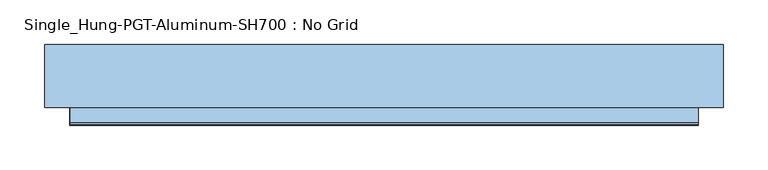
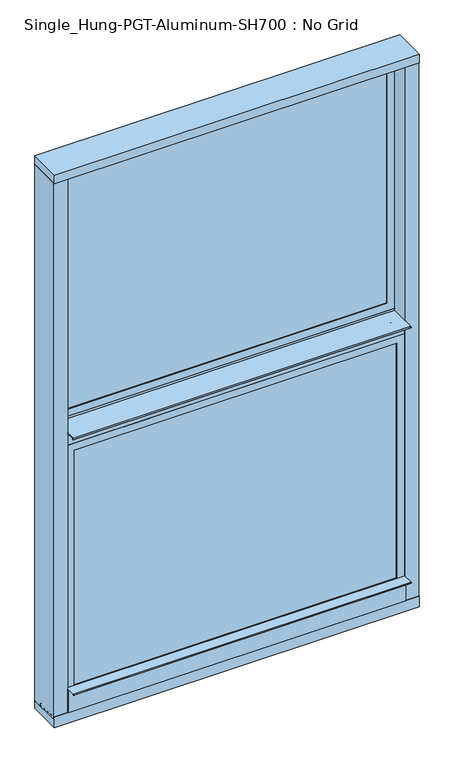
"""IFC4 building model written with IfcOpenShell, lengths in millimetres: window geometry, Single_Hung-PGT-Aluminum-SH700 : No Grid."""

import ifcopenshell
import ifcopenshell.guid

model = None  # the IFC model being written
_history = None  # IfcOwnerHistory: only IFC2X3 demands one
_inside = {}  # id of a spatial element -> (the spatial element, [elements in it])
_under = {}  # id of a project, library or spatial element -> (it, [spatial elements below it])
_declared = {}  # id of a project -> (the project, [libraries it declares])
_typed = {}  # id of a type object -> (the type object, [elements of that type])
_made_of = {}  # id of a material, layer set ... -> (it, [elements and type objects made of it])


def new_model(schema):
    """Start an empty IFC model of exactly this schema.

    Asked for "IFC4X3", IfcOpenShell would pick the latest addendum, in which some entities
    have other attributes; the version numbers below select the first issue.
    IFC2X3 requires an IfcOwnerHistory on every rooted entity: one is made here for all.
    """
    global model, _history
    if schema == "IFC4X3":
        model = ifcopenshell.file(schema_version=(4, 3, 0, 0))
    else:
        model = ifcopenshell.file(schema=schema)
    _inside.clear()
    _under.clear()
    _declared.clear()
    _typed.clear()
    _made_of.clear()
    _history = None
    if model.schema == "IFC2X3":
        org = make("IfcOrganization", Name="unknown")
        user = make(
            "IfcPersonAndOrganization",
            ThePerson=make("IfcPerson", FamilyName="unknown"),
            TheOrganization=org,
        )
        app = make(
            "IfcApplication",
            ApplicationDeveloper=org,
            Version="unknown",
            ApplicationFullName="unknown",
            ApplicationIdentifier="unknown",
        )
        _history = make(
            "IfcOwnerHistory",
            OwningUser=user,
            OwningApplication=app,
            ChangeAction="ADDED",
            CreationDate=0,
        )
    return model


def make(cls, **values):
    """One entity of the class cls with the attributes given. An attribute that is None is left unset."""
    return model.create_entity(
        cls, **{name: value for name, value in values.items() if value is not None}
    )


def rooted(cls, **values):
    """An entity with a GlobalId (a new one), such as an element, a storey or a relation."""
    return make(cls, GlobalId=ifcopenshell.guid.new(), OwnerHistory=_history, **values)


def si_unit(unit_type, name, prefix=None):
    """IfcSIUnit, for example si_unit("LENGTHUNIT", "METRE", prefix="MILLI")."""
    return make("IfcSIUnit", UnitType=unit_type, Prefix=prefix, Name=name)


def assignment(units):
    """IfcUnitAssignment: the units of a project."""
    return None if units is None else make("IfcUnitAssignment", Units=units)


def point(xyz):
    """IfcCartesianPoint."""
    return None if xyz is None else make("IfcCartesianPoint", Coordinates=xyz)


def direction(xyz):
    """IfcDirection."""
    return None if xyz is None else make("IfcDirection", DirectionRatios=xyz)


def frame(location, z_axis=None, x_axis=None):
    """IfcAxis2Placement3D, a coordinate frame: its origin and axes. An axis left out is left unset."""
    return make(
        "IfcAxis2Placement3D",
        Location=point(location),
        Axis=direction(z_axis),
        RefDirection=direction(x_axis),
    )


def frame_2d(location, x_axis=None):
    """IfcAxis2Placement2D, a coordinate frame in the plane: its origin and x axis."""
    return make(
        "IfcAxis2Placement2D", Location=point(location), RefDirection=direction(x_axis)
    )


def origin():
    """The frame at (0, 0, 0) with its axes left unset."""
    return frame((0.0, 0.0, 0.0))


def place(relative_to, where):
    """IfcLocalPlacement: puts the frame where relative to a parent placement (None: the world)."""
    return make(
        "IfcLocalPlacement", PlacementRelTo=relative_to, RelativePlacement=where
    )


def context(
    kind, dimensions, precision=None, world=None, true_north=None, identifier=None
):
    """IfcGeometricRepresentationContext, for example the 3D "Model" context."""
    return make(
        "IfcGeometricRepresentationContext",
        ContextIdentifier=identifier,
        ContextType=kind,
        CoordinateSpaceDimension=dimensions,
        Precision=precision,
        WorldCoordinateSystem=world,
        TrueNorth=true_north,
    )


def project(units=None, contexts=None):
    """IfcProject with its units and contexts."""
    return rooted(
        "IfcProject",
        Name="project",
        RepresentationContexts=contexts,
        UnitsInContext=assignment(units),
    )


def spatial(cls, under=None, at=None, **own):
    """A site, building, storey or space (cls), placed at a placement, below another one or the project."""
    s = rooted(cls, ObjectPlacement=at, **own)
    if under is not None:
        _under.setdefault(under.id(), (under, []))[1].append(s)
    return s


def polyline(points):
    """IfcPolyline through the points."""
    return make("IfcPolyline", Points=[point(p) for p in points])


def circle_curve(where, radius):
    """IfcCircle in the frame where."""
    return make("IfcCircle", Position=where, Radius=radius)


def trimmed(basis, trim1, trim2, sense, master):
    """IfcTrimmedCurve: the piece of a basis curve between two trims."""
    return make(
        "IfcTrimmedCurve",
        BasisCurve=basis,
        Trim1=trim1,
        Trim2=trim2,
        SenseAgreement=sense,
        MasterRepresentation=master,
    )


def segment(curve, same_sense, transition):
    """IfcCompositeCurveSegment."""
    return make(
        "IfcCompositeCurveSegment",
        Transition=transition,
        SameSense=same_sense,
        ParentCurve=curve,
    )


def composite_curve(segments, self_intersect=None):
    """IfcCompositeCurve: segments joined end to end."""
    return make("IfcCompositeCurve", Segments=segments, SelfIntersect=self_intersect)


def outline(outer, holes=None, kind="AREA"):
    """IfcArbitraryClosedProfileDef: a profile drawn as a closed curve; with holes, ...WithVoids."""
    if holes is None:
        return make("IfcArbitraryClosedProfileDef", ProfileType=kind, OuterCurve=outer)
    return make(
        "IfcArbitraryProfileDefWithVoids",
        ProfileType=kind,
        OuterCurve=outer,
        InnerCurves=holes,
    )


def extrude(swept, where, along, depth):
    """IfcExtrudedAreaSolid: the profile swept, set in the frame where, extruded along a direction by depth."""
    return make(
        "IfcExtrudedAreaSolid",
        SweptArea=swept,
        Position=where,
        ExtrudedDirection=direction(along),
        Depth=depth,
    )


def faces_of(points, faces, orient=None, outer=None):
    """IfcFace entities. A face is a list of loops; a loop is a list of indices into points, from 0.

    orient and outer hold one flag for each loop. By default every Orientation is true, the
    first loop of a face is its IfcFaceOuterBound and the others are IfcFaceBound.
    """
    made = []
    for i, loops in enumerate(faces):
        bounds = []
        for j, loop in enumerate(loops):
            is_outer = j == 0 if outer is None else outer[i][j]
            bounds.append(
                make(
                    "IfcFaceOuterBound" if is_outer else "IfcFaceBound",
                    Bound=make("IfcPolyLoop", Polygon=[points[k] for k in loop]),
                    Orientation=True if orient is None else orient[i][j],
                )
            )
        made.append(make("IfcFace", Bounds=bounds))
    return made


def faceted_brep(points, faces, orient=None, outer=None, voids=None):
    """IfcFacetedBrep: a solid bounded by flat faces; with voids (closed shells), ...WithVoids."""
    shared = [point(p) for p in points]
    hull = make("IfcClosedShell", CfsFaces=faces_of(shared, faces, orient, outer))
    if voids is None:
        return make("IfcFacetedBrep", Outer=hull)
    return make(
        "IfcFacetedBrepWithVoids",
        Outer=hull,
        Voids=[
            make(cls, CfsFaces=faces_of(shared, fs, o, b)) for cls, fs, o, b in voids
        ],
    )


def shape(context_of_items, identifier, shape_type, items):
    """IfcShapeRepresentation: the items that make up one representation, for example the "Body"."""
    return make(
        "IfcShapeRepresentation",
        ContextOfItems=context_of_items,
        RepresentationIdentifier=identifier,
        RepresentationType=shape_type,
        Items=items,
    )


def source(mapping_origin, context_of_items, identifier, shape_type, items):
    """IfcRepresentationMap: a shape defined once, which mapped items show again and again."""
    return make(
        "IfcRepresentationMap",
        MappingOrigin=mapping_origin,
        MappedRepresentation=shape(context_of_items, identifier, shape_type, items),
    )


def transform(
    local_origin,
    x_axis=None,
    y_axis=None,
    z_axis=None,
    scale=None,
    scale2=None,
    scale3=None,
    uniform=True,
):
    """IfcCartesianTransformationOperator3D, or its non-uniform kind. x_axis, y_axis, z_axis: its Axis1, 2, 3."""
    if uniform:
        return make(
            "IfcCartesianTransformationOperator3D",
            Axis1=direction(x_axis),
            Axis2=direction(y_axis),
            LocalOrigin=point(local_origin),
            Scale=scale,
            Axis3=direction(z_axis),
        )
    return make(
        "IfcCartesianTransformationOperator3DnonUniform",
        Axis1=direction(x_axis),
        Axis2=direction(y_axis),
        LocalOrigin=point(local_origin),
        Scale=scale,
        Axis3=direction(z_axis),
        Scale2=scale2,
        Scale3=scale3,
    )


def mapped(mapping_source, mapping_target):
    """IfcMappedItem: shows the shape of a source again, moved by a transform."""
    return make(
        "IfcMappedItem", MappingSource=mapping_source, MappingTarget=mapping_target
    )


def made_of(thing, what):
    """Note that an element or type object is made of a material, layer set ...; save() writes the relation."""
    if what is not None:
        _made_of.setdefault(what.id(), (what, []))[1].append(thing)
    return thing


def element(
    cls,
    number,
    at=None,
    inside=None,
    cuts=None,
    type_object=None,
    material=None,
    context=None,
    identifier="Body",
    shape_type=None,
    held_by="IfcProductDefinitionShape",
    body=None,
    shapes=None,
    **own,
):
    """One element of the class cls, such as IfcWall. Its Tag is "e" and its number.

    at: its placement. inside: the storey or other place that contains it. cuts: it is an
    opening in that element (IfcRelVoidsElement). A single representation is given by context,
    identifier, shape_type and body (its items); several are given by shapes. held_by: the class
    of the entity that holds the representations. save() writes the other relations.
    """
    e = rooted(cls, Tag="e%d" % number, ObjectPlacement=at, **own)
    if body is not None:
        shapes = [shape(context, identifier, shape_type, body)]
    if shapes is not None:
        e.Representation = make(held_by, Representations=shapes)
    if inside is not None:
        _inside.setdefault(inside.id(), (inside, []))[1].append(e)
    if cuts is not None:
        rooted(
            "IfcRelVoidsElement", RelatingBuildingElement=cuts, RelatedOpeningElement=e
        )
    if type_object is not None:
        _typed.setdefault(type_object.id(), (type_object, []))[1].append(e)
    return made_of(e, material)


def aggregate(whole, parts):
    """IfcRelAggregates: a whole, such as a stair, and the parts it consists of."""
    return rooted("IfcRelAggregates", RelatingObject=whole, RelatedObjects=parts)


def save(model, path):
    """Write the relations noted so far, then the file.

    IfcRelAggregates (storeys below a building ...), IfcRelContainedInSpatialStructure (elements
    in a storey), IfcRelDefinesByType, IfcRelAssociatesMaterial and IfcRelDeclares: one each for
    every whole, place, type object, material and project.
    """
    for whole, parts in _under.values():
        aggregate(whole, parts)
    for where, things in _inside.values():
        rooted(
            "IfcRelContainedInSpatialStructure",
            RelatedElements=things,
            RelatingStructure=where,
        )
    for kind, things in _typed.values():
        rooted("IfcRelDefinesByType", RelatedObjects=things, RelatingType=kind)
    for what, things in _made_of.values():
        rooted("IfcRelAssociatesMaterial", RelatedObjects=things, RelatingMaterial=what)
    for by, libraries in _declared.values():
        rooted("IfcRelDeclares", RelatingContext=by, RelatedDefinitions=libraries)
    model.write(path)


def single_hung_pgt_aluminum_sh700_no_grid_d683dfb1(model_context):
    return source(origin(), model_context, "Body", "SolidModel", [
        faceted_brep([(349.3516, 39.0903269, 1520.8758127), (349.3516, 49.2757269, 1520.8758127), (349.3516, 49.2757269, 976.9348127), (349.3516, 39.0903269, 976.9348127), (336.5754, 37.084, 1508.0996127), (336.5754, 39.0903269, 1508.0996127), (336.5754, 39.0903269, 989.7110127), (336.5754, 37.084, 989.7110127), (352.4504, 65.607932, 1523.9746127), (352.4504, 37.084, 1523.9746127), (352.4504, 37.084, 973.8360127), (352.4504, 65.607932, 973.8360127), (336.5754, 49.2757269, 1508.0996127), (336.5754, 65.607932, 1508.0996127), (336.5754, 65.607932, 989.7110127), (336.5754, 49.2757269, 989.7110127), (-349.3516, 49.2757269, 976.9348127), (-349.3516, 39.0903269, 976.9348127), (-336.5754, 39.0903269, 989.7110127), (-336.5754, 37.084, 989.7110127), (-352.4504, 37.084, 973.8360127), (-352.4504, 65.607932, 973.8360127), (-336.5754, 65.607932, 989.7110127), (-336.5754, 49.2757269, 989.7110127), (-349.3516, 49.2757269, 1520.8758127), (-349.3516, 39.0903269, 1520.8758127), (-336.5754, 39.0903269, 1508.0996127), (-336.5754, 37.084, 1508.0996127), (-352.4504, 37.084, 1523.9746127), (-352.4504, 65.607932, 1523.9746127), (-336.5754, 65.607932, 1508.0996127), (-336.5754, 49.2757269, 1508.0996127)], [[[0, 1, 2, 3]], [[4, 5, 6, 7]], [[8, 9, 10, 11]], [[12, 13, 14, 15]], [[3, 2, 16, 17]], [[7, 6, 18, 19]], [[11, 10, 20, 21]], [[15, 14, 22, 23]], [[17, 16, 24, 25]], [[19, 18, 26, 27]], [[21, 20, 28, 29]], [[23, 22, 30, 31]], [[1, 24, 16, 2], [15, 23, 31, 12]], [[25, 24, 1, 0]], [[3, 17, 25, 0], [5, 26, 18, 6]], [[27, 26, 5, 4]], [[9, 28, 20, 10], [7, 19, 27, 4]], [[29, 28, 9, 8]], [[11, 21, 29, 8], [13, 30, 22, 14]], [[31, 30, 13, 12]]]),
        faceted_brep([(-336.5754, 101.6, 2098.9544127), (-336.5754, 85.1661949, 2098.9544127), (-336.5754, 85.1661949, 1574.5968127), (-336.5754, 101.6, 1574.5968127), (-352.4504, 73.076068, 2114.8294127), (-352.4504, 101.6, 2114.8294127), (-352.4504, 101.6, 1558.7218127), (-352.4504, 73.076068, 1558.7218127), (-336.5754, 74.9807949, 2098.9544127), (-336.5754, 73.076068, 2098.9544127), (-336.5754, 73.076068, 1574.5968127), (-336.5754, 74.9807949, 1574.5968127), (-349.3516, 85.1661949, 2111.7306127), (-349.3516, 74.9807949, 2111.7306127), (-349.3516, 74.9807949, 1561.8206127), (-349.3516, 85.1661949, 1561.8206127), (336.5754, 85.1661949, 1574.5968127), (336.5754, 101.6, 1574.5968127), (352.4504, 101.6, 1558.7218127), (352.4504, 73.076068, 1558.7218127), (336.5754, 73.076068, 1574.5968127), (336.5754, 74.9807949, 1574.5968127), (349.3516, 74.9807949, 1561.8206127), (349.3516, 85.1661949, 1561.8206127), (336.5754, 85.1661949, 2098.9544127), (336.5754, 101.6, 2098.9544127), (352.4504, 101.6, 2114.8294127), (352.4504, 73.076068, 2114.8294127), (336.5754, 73.076068, 2098.9544127), (336.5754, 74.9807949, 2098.9544127), (349.3516, 74.9807949, 2111.7306127), (349.3516, 85.1661949, 2111.7306127)], [[[0, 1, 2, 3]], [[4, 5, 6, 7]], [[8, 9, 10, 11]], [[12, 13, 14, 15]], [[3, 2, 16, 17]], [[7, 6, 18, 19]], [[11, 10, 20, 21]], [[15, 14, 22, 23]], [[17, 16, 24, 25]], [[19, 18, 26, 27]], [[21, 20, 28, 29]], [[23, 22, 30, 31]], [[25, 24, 1, 0]], [[5, 26, 18, 6], [3, 17, 25, 0]], [[27, 26, 5, 4]], [[7, 19, 27, 4], [9, 28, 20, 10]], [[29, 28, 9, 8]], [[13, 30, 22, 14], [11, 21, 29, 8]], [[31, 30, 13, 12]], [[15, 23, 31, 12], [1, 24, 16, 2]]]),
        extrude(outline(polyline([(336.5754, 78.1557949), (336.5754, 74.9807949), (-336.5754, 74.9807949), (-336.5754, 78.1557949), (336.5754, 78.1557949)])), frame((0.0, 0.0, 1574.5968127), z_axis=(0.0, 0.0, 1.0), x_axis=(1.0, 0.0, 0.0)), (0.0, 0.0, 1.0), 524.3576),
        extrude(outline(polyline([(336.5754, 85.1661949), (336.5754, 81.9911949), (-336.5754, 81.9911949), (-336.5754, 85.1661949), (336.5754, 85.1661949)])), frame((0.0, 0.0, 1574.5968127), z_axis=(0.0, 0.0, 1.0), x_axis=(1.0, 0.0, 0.0)), (0.0, 0.0, 1.0), 524.3576),
        extrude(outline(polyline([(336.5754, 42.2619735), (336.5754, 39.0869735), (-336.5754, 39.0869735), (-336.5754, 42.2619735), (336.5754, 42.2619735)])), frame((0.0, 0.0, 989.7110127), z_axis=(0.0, 0.0, 1.0), x_axis=(1.0, 0.0, 0.0)), (0.0, 0.0, 1.0), 518.3886),
        extrude(outline(polyline([(336.5754, 49.2723735), (336.5754, 46.0973735), (-336.5754, 46.0973735), (-336.5754, 49.2723735), (336.5754, 49.2723735)])), frame((0.0, 0.0, 989.7110127), z_axis=(0.0, 0.0, 1.0), x_axis=(1.0, 0.0, 0.0)), (0.0, 0.0, 1.0), 518.3886),
        extrude(outline(composite_curve([segment(polyline([(37.0743658, 1551.9865125), (16.5842467, 1551.9865125)]), True, "CONTINUOUS"), segment(trimmed(circle_curve(frame_2d((15.0095153, 1551.9864497)), 1.5747315), [point((16.5842467, 1551.9865125))], [point((13.895926, 1550.8730324))], False, "CARTESIAN"), True, "CONTINUOUS"), segment(trimmed(circle_curve(frame_2d((15.0094524, 1551.9865125)), 1.5747314), [point((13.895926, 1550.8730324))], [point((15.0094524, 1553.561244))], False, "CARTESIAN"), True, "CONTINUOUS"), segment(polyline([(15.0094524, 1553.561244), (73.076068, 1553.561244), (73.076068, 1558.7235454), (103.1707735, 1558.7235454), (103.1707735, 1523.0461342), (84.6580496, 1523.0461342), (84.6580496, 1520.463429)]), True, "CONTINUOUS"), segment(trimmed(circle_curve(frame_2d((84.0206154, 1520.463429)), 0.6374342), [point((84.6580496, 1520.463429))], [point((83.3831811, 1520.463429))], False, "CARTESIAN"), True, "CONTINUOUS"), segment(polyline([(83.3831811, 1520.463429), (83.3831811, 1523.9763454), (37.0743658, 1523.9763454), (37.0743658, 1551.9865125)]), True, "CONTINUOUS")], self_intersect=False)), frame((-352.3488457, 0.0, 0.0), z_axis=(1.0, 0.0, 0.0), x_axis=(0.0, 1.0, 0.0)), (0.0, 0.0, 1.0), 704.7992457),
        extrude(outline(polyline([(381.0, 34.3407921), (352.4757771, 34.3407921), (352.4757771, 103.1748), (381.0, 103.1748), (381.0, 34.3407921)])), frame((0.0, 0.0, 931.0079513), z_axis=(0.0, 0.0, 1.0), x_axis=(1.0, 0.0, 0.0)), (0.0, 0.0, 1.0), 1183.8468487),
        extrude(outline(polyline([(-381.0, 34.3407921), (-381.0, 103.1748), (-352.4757771, 103.1748), (-352.4757771, 34.3407921), (-381.0, 34.3407921)])), frame((0.0, 0.0, 931.0079513), z_axis=(0.0, 0.0, 1.0), x_axis=(1.0, 0.0, 0.0)), (0.0, 0.0, 1.0), 1183.8468487),
        extrude(outline(composite_curve([segment(polyline([(32.4612279, 937.1945898), (32.4612279, 988.4312677), (14.6267526, 988.4312677)]), True, "CONTINUOUS"), segment(trimmed(circle_curve(frame_2d((13.4353869, 988.5074391)), 1.1937982), [point((14.6267526, 988.4312677))], [point((12.564712, 987.6906898))], False, "CARTESIAN"), True, "CONTINUOUS"), segment(trimmed(circle_curve(frame_2d((13.4353772, 988.5074499)), 1.1937985), [point((12.564712, 987.6906898))], [point((13.4353772, 989.7012484))], False, "CARTESIAN"), True, "CONTINUOUS"), segment(polyline([(13.4353772, 989.7012484), (37.0840279, 989.7012484), (37.0840279, 973.8366238), (68.1469681, 973.8366238)]), True, "CONTINUOUS"), segment(trimmed(circle_curve(frame_2d((68.1469681, 970.6616238)), 3.175), [point((68.1469681, 973.8366238))], [point((71.3219681, 970.6616238))], False, "CARTESIAN"), True, "CONTINUOUS"), segment(polyline([(71.3219681, 970.6616238), (71.3219681, 933.794716), (32.4612279, 937.1945898)]), True, "CONTINUOUS")], self_intersect=False)), frame((-352.4504, 0.0, 0.0), z_axis=(1.0, 0.0, 0.0), x_axis=(0.0, 1.0, 0.0)), (0.0, 0.0, 1.0), 704.9008),
        extrude(outline(composite_curve([segment(polyline([(103.1748254, 931.0079513), (103.1748254, 914.3746127), (32.4612203, 914.3746127), (32.4612203, 937.1945905), (83.3881136, 932.7390652), (83.3881136, 935.6600593)]), True, "CONTINUOUS"), segment(trimmed(circle_curve(frame_2d((84.0231136, 935.6600593)), 0.635), [point((83.3881136, 935.6600593))], [point((84.6581136, 935.6600593))], False, "CARTESIAN"), True, "CONTINUOUS"), segment(polyline([(84.6581136, 935.6600593), (84.6581136, 932.6279529), (103.1748254, 931.0079513)]), True, "CONTINUOUS")], self_intersect=False)), frame((-381.0, 0.0, 0.0), z_axis=(1.0, 0.0, 0.0), x_axis=(0.0, 1.0, 0.0)), (0.0, 0.0, 1.0), 762.0),
        extrude(outline(polyline([(-381.0, 32.4612203), (-381.0, 103.1748178), (381.0, 103.1748178), (381.0, 32.4612203), (-381.0, 32.4612203)])), frame((0.0, 0.0, 2114.8294127), z_axis=(0.0, 0.0, 1.0), x_axis=(1.0, 0.0, 0.0)), (0.0, 0.0, 1.0), 18.7452),
    ])


if __name__ == "__main__":
    model = new_model("IFC4")
    model_context = context("Model", 3, world=origin())
    ifc_project = project(units=[si_unit("LENGTHUNIT", "METRE", prefix="MILLI")], contexts=[model_context])
    site = spatial("IfcSite", under=ifc_project)
    building = spatial("IfcBuilding", under=site)
    placement = place(None, origin())
    single_hung_pgt_aluminum_sh700_no_grid_shape = single_hung_pgt_aluminum_sh700_no_grid_d683dfb1(model_context)
    element("IfcWindow", 1, ObjectType="Single_Hung-PGT-Aluminum-SH700 : No Grid", at=placement, inside=building, context=model_context, shape_type="MappedRepresentation", body=[
        mapped(single_hung_pgt_aluminum_sh700_no_grid_shape, transform((0.0, 0.0, 0.0), x_axis=(1.0, 0.0, 0.0), y_axis=(0.0, 1.0, 0.0), z_axis=(0.0, 0.0, 1.0))),
    ])
    save(model, "model.ifc")
